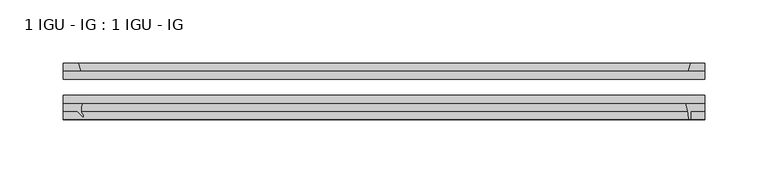
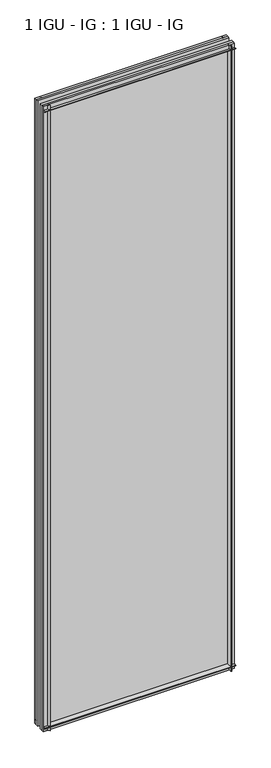
"""IFC4 building model written with IfcOpenShell, lengths in millimetres: plate geometry, 1 IGU - IG : 1 IGU - IG."""

import ifcopenshell
import ifcopenshell.guid

model = None  # the IFC model being written
_history = None  # IfcOwnerHistory: only IFC2X3 demands one
_inside = {}  # id of a spatial element -> (the spatial element, [elements in it])
_under = {}  # id of a project, library or spatial element -> (it, [spatial elements below it])
_declared = {}  # id of a project -> (the project, [libraries it declares])
_typed = {}  # id of a type object -> (the type object, [elements of that type])
_made_of = {}  # id of a material, layer set ... -> (it, [elements and type objects made of it])


def new_model(schema):
    """Start an empty IFC model of exactly this schema.

    Asked for "IFC4X3", IfcOpenShell would pick the latest addendum, in which some entities
    have other attributes; the version numbers below select the first issue.
    IFC2X3 requires an IfcOwnerHistory on every rooted entity: one is made here for all.
    """
    global model, _history
    if schema == "IFC4X3":
        model = ifcopenshell.file(schema_version=(4, 3, 0, 0))
    else:
        model = ifcopenshell.file(schema=schema)
    _inside.clear()
    _under.clear()
    _declared.clear()
    _typed.clear()
    _made_of.clear()
    _history = None
    if model.schema == "IFC2X3":
        org = make("IfcOrganization", Name="unknown")
        user = make(
            "IfcPersonAndOrganization",
            ThePerson=make("IfcPerson", FamilyName="unknown"),
            TheOrganization=org,
        )
        app = make(
            "IfcApplication",
            ApplicationDeveloper=org,
            Version="unknown",
            ApplicationFullName="unknown",
            ApplicationIdentifier="unknown",
        )
        _history = make(
            "IfcOwnerHistory",
            OwningUser=user,
            OwningApplication=app,
            ChangeAction="ADDED",
            CreationDate=0,
        )
    return model


def make(cls, **values):
    """One entity of the class cls with the attributes given. An attribute that is None is left unset."""
    return model.create_entity(
        cls, **{name: value for name, value in values.items() if value is not None}
    )


def rooted(cls, **values):
    """An entity with a GlobalId (a new one), such as an element, a storey or a relation."""
    return make(cls, GlobalId=ifcopenshell.guid.new(), OwnerHistory=_history, **values)


def si_unit(unit_type, name, prefix=None):
    """IfcSIUnit, for example si_unit("LENGTHUNIT", "METRE", prefix="MILLI")."""
    return make("IfcSIUnit", UnitType=unit_type, Prefix=prefix, Name=name)


def assignment(units):
    """IfcUnitAssignment: the units of a project."""
    return None if units is None else make("IfcUnitAssignment", Units=units)


def point(xyz):
    """IfcCartesianPoint."""
    return None if xyz is None else make("IfcCartesianPoint", Coordinates=xyz)


def direction(xyz):
    """IfcDirection."""
    return None if xyz is None else make("IfcDirection", DirectionRatios=xyz)


def frame(location, z_axis=None, x_axis=None):
    """IfcAxis2Placement3D, a coordinate frame: its origin and axes. An axis left out is left unset."""
    return make(
        "IfcAxis2Placement3D",
        Location=point(location),
        Axis=direction(z_axis),
        RefDirection=direction(x_axis),
    )


def frame_2d(location, x_axis=None):
    """IfcAxis2Placement2D, a coordinate frame in the plane: its origin and x axis."""
    return make(
        "IfcAxis2Placement2D", Location=point(location), RefDirection=direction(x_axis)
    )


def origin():
    """The frame at (0, 0, 0) with its axes left unset."""
    return frame((0.0, 0.0, 0.0))


def place(relative_to, where):
    """IfcLocalPlacement: puts the frame where relative to a parent placement (None: the world)."""
    return make(
        "IfcLocalPlacement", PlacementRelTo=relative_to, RelativePlacement=where
    )


def context(
    kind, dimensions, precision=None, world=None, true_north=None, identifier=None
):
    """IfcGeometricRepresentationContext, for example the 3D "Model" context."""
    return make(
        "IfcGeometricRepresentationContext",
        ContextIdentifier=identifier,
        ContextType=kind,
        CoordinateSpaceDimension=dimensions,
        Precision=precision,
        WorldCoordinateSystem=world,
        TrueNorth=true_north,
    )


def project(units=None, contexts=None):
    """IfcProject with its units and contexts."""
    return rooted(
        "IfcProject",
        Name="project",
        RepresentationContexts=contexts,
        UnitsInContext=assignment(units),
    )


def spatial(cls, under=None, at=None, **own):
    """A site, building, storey or space (cls), placed at a placement, below another one or the project."""
    s = rooted(cls, ObjectPlacement=at, **own)
    if under is not None:
        _under.setdefault(under.id(), (under, []))[1].append(s)
    return s


def polyline(points):
    """IfcPolyline through the points."""
    return make("IfcPolyline", Points=[point(p) for p in points])


def circle_curve(where, radius):
    """IfcCircle in the frame where."""
    return make("IfcCircle", Position=where, Radius=radius)


def trimmed(basis, trim1, trim2, sense, master):
    """IfcTrimmedCurve: the piece of a basis curve between two trims."""
    return make(
        "IfcTrimmedCurve",
        BasisCurve=basis,
        Trim1=trim1,
        Trim2=trim2,
        SenseAgreement=sense,
        MasterRepresentation=master,
    )


def segment(curve, same_sense, transition):
    """IfcCompositeCurveSegment."""
    return make(
        "IfcCompositeCurveSegment",
        Transition=transition,
        SameSense=same_sense,
        ParentCurve=curve,
    )


def composite_curve(segments, self_intersect=None):
    """IfcCompositeCurve: segments joined end to end."""
    return make("IfcCompositeCurve", Segments=segments, SelfIntersect=self_intersect)


def outline(outer, holes=None, kind="AREA"):
    """IfcArbitraryClosedProfileDef: a profile drawn as a closed curve; with holes, ...WithVoids."""
    if holes is None:
        return make("IfcArbitraryClosedProfileDef", ProfileType=kind, OuterCurve=outer)
    return make(
        "IfcArbitraryProfileDefWithVoids",
        ProfileType=kind,
        OuterCurve=outer,
        InnerCurves=holes,
    )


def extrude(swept, where, along, depth):
    """IfcExtrudedAreaSolid: the profile swept, set in the frame where, extruded along a direction by depth."""
    return make(
        "IfcExtrudedAreaSolid",
        SweptArea=swept,
        Position=where,
        ExtrudedDirection=direction(along),
        Depth=depth,
    )


def shape(context_of_items, identifier, shape_type, items):
    """IfcShapeRepresentation: the items that make up one representation, for example the "Body"."""
    return make(
        "IfcShapeRepresentation",
        ContextOfItems=context_of_items,
        RepresentationIdentifier=identifier,
        RepresentationType=shape_type,
        Items=items,
    )


def source(mapping_origin, context_of_items, identifier, shape_type, items):
    """IfcRepresentationMap: a shape defined once, which mapped items show again and again."""
    return make(
        "IfcRepresentationMap",
        MappingOrigin=mapping_origin,
        MappedRepresentation=shape(context_of_items, identifier, shape_type, items),
    )


def transform(
    local_origin,
    x_axis=None,
    y_axis=None,
    z_axis=None,
    scale=None,
    scale2=None,
    scale3=None,
    uniform=True,
):
    """IfcCartesianTransformationOperator3D, or its non-uniform kind. x_axis, y_axis, z_axis: its Axis1, 2, 3."""
    if uniform:
        return make(
            "IfcCartesianTransformationOperator3D",
            Axis1=direction(x_axis),
            Axis2=direction(y_axis),
            LocalOrigin=point(local_origin),
            Scale=scale,
            Axis3=direction(z_axis),
        )
    return make(
        "IfcCartesianTransformationOperator3DnonUniform",
        Axis1=direction(x_axis),
        Axis2=direction(y_axis),
        LocalOrigin=point(local_origin),
        Scale=scale,
        Axis3=direction(z_axis),
        Scale2=scale2,
        Scale3=scale3,
    )


def mapped(mapping_source, mapping_target):
    """IfcMappedItem: shows the shape of a source again, moved by a transform."""
    return make(
        "IfcMappedItem", MappingSource=mapping_source, MappingTarget=mapping_target
    )


def made_of(thing, what):
    """Note that an element or type object is made of a material, layer set ...; save() writes the relation."""
    if what is not None:
        _made_of.setdefault(what.id(), (what, []))[1].append(thing)
    return thing


def element(
    cls,
    number,
    at=None,
    inside=None,
    cuts=None,
    type_object=None,
    material=None,
    context=None,
    identifier="Body",
    shape_type=None,
    held_by="IfcProductDefinitionShape",
    body=None,
    shapes=None,
    **own,
):
    """One element of the class cls, such as IfcWall. Its Tag is "e" and its number.

    at: its placement. inside: the storey or other place that contains it. cuts: it is an
    opening in that element (IfcRelVoidsElement). A single representation is given by context,
    identifier, shape_type and body (its items); several are given by shapes. held_by: the class
    of the entity that holds the representations. save() writes the other relations.
    """
    e = rooted(cls, Tag="e%d" % number, ObjectPlacement=at, **own)
    if body is not None:
        shapes = [shape(context, identifier, shape_type, body)]
    if shapes is not None:
        e.Representation = make(held_by, Representations=shapes)
    if inside is not None:
        _inside.setdefault(inside.id(), (inside, []))[1].append(e)
    if cuts is not None:
        rooted(
            "IfcRelVoidsElement", RelatingBuildingElement=cuts, RelatedOpeningElement=e
        )
    if type_object is not None:
        _typed.setdefault(type_object.id(), (type_object, []))[1].append(e)
    return made_of(e, material)


def aggregate(whole, parts):
    """IfcRelAggregates: a whole, such as a stair, and the parts it consists of."""
    return rooted("IfcRelAggregates", RelatingObject=whole, RelatedObjects=parts)


def save(model, path):
    """Write the relations noted so far, then the file.

    IfcRelAggregates (storeys below a building ...), IfcRelContainedInSpatialStructure (elements
    in a storey), IfcRelDefinesByType, IfcRelAssociatesMaterial and IfcRelDeclares: one each for
    every whole, place, type object, material and project.
    """
    for whole, parts in _under.values():
        aggregate(whole, parts)
    for where, things in _inside.values():
        rooted(
            "IfcRelContainedInSpatialStructure",
            RelatedElements=things,
            RelatingStructure=where,
        )
    for kind, things in _typed.values():
        rooted("IfcRelDefinesByType", RelatedObjects=things, RelatingType=kind)
    for what, things in _made_of.values():
        rooted("IfcRelAssociatesMaterial", RelatedObjects=things, RelatingMaterial=what)
    for by, libraries in _declared.values():
        rooted("IfcRelDeclares", RelatingContext=by, RelatedDefinitions=libraries)
    model.write(path)


def plate_1_igu_ig_1_igu_ig_a5d0445a(model_context):
    return source(origin(), model_context, "Body", "SweptSolid", [
        extrude(outline(polyline([(254.0, -31.75), (254.0, -38.1), (-254.0, -38.1), (-254.0, -31.75), (254.0, -31.75)])), frame((0.0, 0.0, -11.1125), z_axis=(0.0, 0.0, 1.0), x_axis=(1.0, 0.0, 0.0)), (0.0, 0.0, 1.0), 1755.775),
        extrude(outline(polyline([(-254.0, -12.7), (254.0, -12.7), (254.0, -19.05), (-254.0, -19.05), (-254.0, -12.7)])), frame((0.0, 0.0, -11.1125), z_axis=(0.0, 0.0, 1.0), x_axis=(1.0, 0.0, 0.0)), (0.0, 0.0, 1.0), 1755.775),
        extrude(outline(polyline([(-239.9410601, -12.7), (-254.0, -12.7), (-254.0, -6.35), (-242.0463372, -6.35), (-239.9410601, -12.7)])), frame((0.0, 0.0, -11.1125), z_axis=(0.0, 0.0, 1.0), x_axis=(1.0, 0.0, 0.0)), (0.0, 0.0, 1.0), 1755.775),
        extrude(outline(composite_curve([segment(trimmed(circle_curve(frame_2d((-231.1489011, -42.5735189)), 8.7187667), [point((-238.632518, -38.1))], [point((-238.1488071, -47.7714232))], True, "CARTESIAN"), True, "CONTINUOUS"), segment(trimmed(circle_curve(frame_2d((-238.7605826, -48.225708)), 0.762), [point((-238.1488071, -47.7714232))], [point((-238.4267906, -48.9107094))], False, "CARTESIAN"), True, "CONTINUOUS"), segment(polyline([(-238.4267906, -48.9107094), (-242.8875, -44.45), (-254.0, -44.45), (-254.0, -38.1), (-238.632518, -38.1)]), True, "CONTINUOUS")], self_intersect=False)), frame((0.0, 0.0, -11.1125), z_axis=(0.0, 0.0, 1.0), x_axis=(1.0, 0.0, 0.0)), (0.0, 0.0, 1.0), 1755.775),
        extrude(outline(polyline([(254.0, -12.7), (240.7822229, -12.7), (242.8875, -6.35), (254.0, -6.35), (254.0, -12.7)])), frame((0.0, 0.0, -11.1125), z_axis=(0.0, 0.0, 1.0), x_axis=(1.0, 0.0, 0.0)), (0.0, 0.0, 1.0), 1755.775),
        extrude(outline(composite_curve([segment(polyline([(238.7063207, -38.1), (254.0, -38.1), (254.0, -44.45), (242.8875, -44.45), (242.8875, -50.8), (241.9675991, -50.8)]), True, "CONTINUOUS"), segment(trimmed(circle_curve(frame_2d((241.9675991, -50.038)), 0.762), [point((241.9675991, -50.8))], [point((241.2075572, -50.0925922))], False, "CARTESIAN"), True, "CONTINUOUS"), segment(trimmed(circle_curve(frame_2d((195.4473044, -53.3794536)), 45.8781451), [point((241.2075572, -50.0925922))], [point((238.7063207, -38.1))], True, "CARTESIAN"), True, "CONTINUOUS")], self_intersect=False)), frame((0.0, 0.0, -11.1125), z_axis=(0.0, 0.0, 1.0), x_axis=(1.0, 0.0, 0.0)), (0.0, 0.0, 1.0), 1755.775),
        extrude(outline(polyline([(-12.7, -11.1125), (-12.7, 2.1052771), (-6.35, 0.0), (-6.35, -11.1125), (-12.7, -11.1125)])), frame((-254.0, 0.0, 0.0), z_axis=(1.0, 0.0, 0.0), x_axis=(0.0, 1.0, 0.0)), (0.0, 0.0, 1.0), 508.0),
        extrude(outline(composite_curve([segment(polyline([(-38.1, 4.1811793), (-38.1, -11.1125), (-44.45, -11.1125), (-44.45, 0.0), (-50.8, 0.0), (-50.8, 0.9199009)]), True, "CONTINUOUS"), segment(trimmed(circle_curve(frame_2d((-50.038, 0.9199009)), 0.762), [point((-50.8, 0.9199009))], [point((-50.0925922, 1.6799428))], False, "CARTESIAN"), True, "CONTINUOUS"), segment(trimmed(circle_curve(frame_2d((-53.3794536, 47.4401956)), 45.8781451), [point((-50.0925922, 1.6799428))], [point((-38.1, 4.1811793))], True, "CARTESIAN"), True, "CONTINUOUS")], self_intersect=False)), frame((-254.0, 0.0, 0.0), z_axis=(1.0, 0.0, 0.0), x_axis=(0.0, 1.0, 0.0)), (0.0, 0.0, 1.0), 508.0),
        extrude(outline(polyline([(-6.35, 1733.55), (-12.7, 1731.4447229), (-12.7, 1744.6625), (-6.35, 1744.6625), (-6.35, 1733.55)])), frame((-254.0, 0.0, 0.0), z_axis=(1.0, 0.0, 0.0), x_axis=(0.0, 1.0, 0.0)), (0.0, 0.0, 1.0), 508.0),
        extrude(outline(composite_curve([segment(polyline([(-38.1, 1744.6625), (-38.1, 1729.3688207)]), True, "CONTINUOUS"), segment(trimmed(circle_curve(frame_2d((-53.3794536, 1686.1098044)), 45.8781451), [point((-38.1, 1729.3688207))], [point((-50.0925922, 1731.8700572))], True, "CARTESIAN"), True, "CONTINUOUS"), segment(trimmed(circle_curve(frame_2d((-50.038, 1732.6300991)), 0.762), [point((-50.0925922, 1731.8700572))], [point((-50.8, 1732.6300991))], False, "CARTESIAN"), True, "CONTINUOUS"), segment(polyline([(-50.8, 1732.6300991), (-50.8, 1733.55), (-44.45, 1733.55), (-44.45, 1744.6625), (-38.1, 1744.6625)]), True, "CONTINUOUS")], self_intersect=False)), frame((-254.0, 0.0, 0.0), z_axis=(1.0, 0.0, 0.0), x_axis=(0.0, 1.0, 0.0)), (0.0, 0.0, 1.0), 508.0),
    ])


if __name__ == "__main__":
    model = new_model("IFC4")
    model_context = context("Model", 3, world=origin())
    ifc_project = project(units=[si_unit("LENGTHUNIT", "METRE", prefix="MILLI")], contexts=[model_context])
    site = spatial("IfcSite", under=ifc_project)
    building = spatial("IfcBuilding", under=site)
    placement = place(None, origin())
    plate_1_igu_ig_1_igu_ig_shape = plate_1_igu_ig_1_igu_ig_a5d0445a(model_context)
    element("IfcPlate", 1, ObjectType="1 IGU - IG : 1 IGU - IG", at=placement, inside=building, context=model_context, shape_type="MappedRepresentation", body=[
        mapped(plate_1_igu_ig_1_igu_ig_shape, transform((0.0, 0.0, 0.0), x_axis=(1.0, 0.0, 0.0), y_axis=(0.0, 1.0, 0.0), z_axis=(0.0, 0.0, 1.0))),
    ])
    save(model, "model.ifc")
